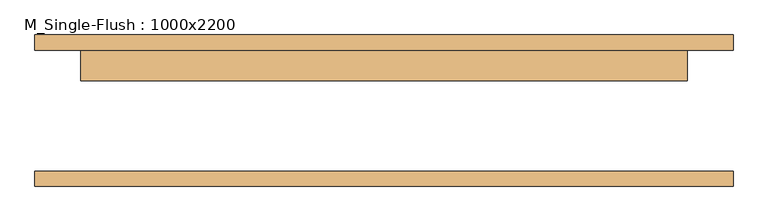
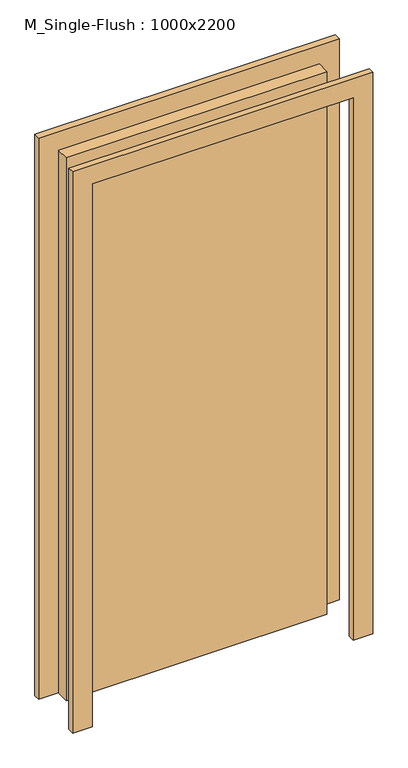
"""IFC4 building model written with IfcOpenShell, lengths in millimetres: door geometry, M_Single-Flush : 1000x2200."""

from ifc_helpers import new_model, si_unit, frame, origin, origin_with_axes, place, context, project, spatial, polyline, outline, extrude, source, transform, mapped, element, save


def m_single_flush_1000x2200_5dd7b505(model_context):
    return source(origin(), model_context, "Body", "SweptSolid", [
        extrude(outline(polyline([(2276.0, -576.0), (0.0, -576.0), (0.0, -500.0), (2200.0, -500.0), (2200.0, 500.0), (0.0, 500.0), (0.0, 576.0), (2276.0, 576.0), (2276.0, -576.0)])), frame((0.0, 100.0, 0.0), z_axis=(0.0, 1.0, 0.0), x_axis=(0.0, 0.0, 1.0)), (0.0, 0.0, 1.0), 25.0),
        extrude(outline(polyline([(2276.0, 576.0), (2276.0, -576.0), (0.0, -576.0), (0.0, -500.0), (2200.0, -500.0), (2200.0, 500.0), (0.0, 500.0), (0.0, 576.0), (2276.0, 576.0)])), frame((0.0, -125.0, 0.0), z_axis=(0.0, 1.0, 0.0), x_axis=(0.0, 0.0, 1.0)), (0.0, 0.0, 1.0), 25.0),
        extrude(outline(polyline([(500.0, 49.0), (-500.0, 49.0), (-500.0, 100.0), (500.0, 100.0), (500.0, 49.0)])), origin_with_axes(), (0.0, 0.0, 1.0), 2200.0),
    ])


if __name__ == "__main__":
    model = new_model("IFC4")
    model_context = context("Model", 3, world=origin())
    ifc_project = project(units=[si_unit("LENGTHUNIT", "METRE", prefix="MILLI")], contexts=[model_context])
    site = spatial("IfcSite", under=ifc_project)
    building = spatial("IfcBuilding", under=site)
    placement = place(None, origin())
    m_single_flush_1000x2200_shape = m_single_flush_1000x2200_5dd7b505(model_context)
    element("IfcDoor", 1, ObjectType="M_Single-Flush : 1000x2200", at=placement, inside=building, context=model_context, shape_type="MappedRepresentation", body=[
        mapped(m_single_flush_1000x2200_shape, transform((0.0, 0.0, 0.0), x_axis=(1.0, 0.0, 0.0), y_axis=(0.0, 1.0, 0.0), z_axis=(0.0, 0.0, 1.0))),
    ])
    save(model, "model.ifc")
